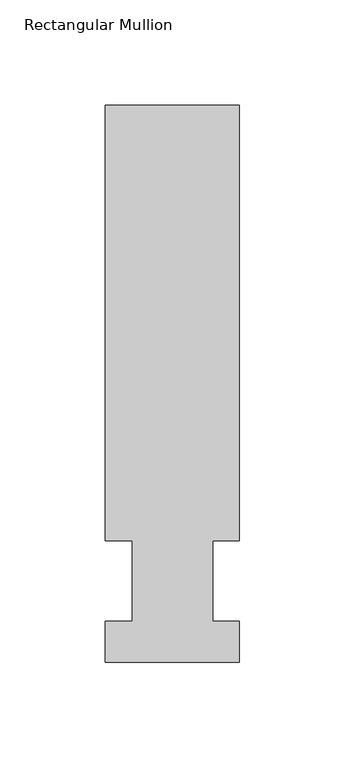
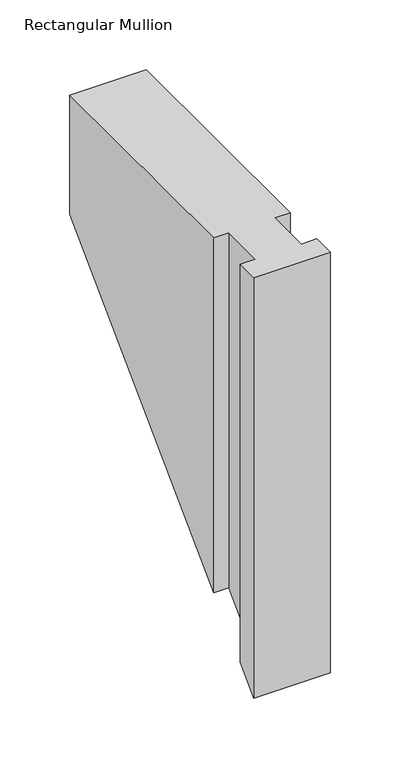
"""IFC4 building model written with IfcOpenShell, lengths in millimetres: member geometry, Rectangular Mullion."""

from ifc_helpers import new_model, si_unit, origin, place, context, project, spatial, faceted_brep, source, transform, mapped, element, save


def rectangular_mullion_809222ba(model_context):
    return source(origin(), model_context, "Body", "Brep", [
        faceted_brep([(-63.5, 57.6460937, 0.0), (-50.8, 57.6460937, 0.0), (-50.8, 19.5460938, 0.0), (-63.5, 19.5460938, 0.0), (-63.5, 0.0134938, 0.0), (0.0, 0.0134938, 0.0), (0.0, 19.5460938, 0.0), (-12.6873, 19.5460938, 0.0), (-12.6873, 57.6460937, 0.0), (0.0, 57.6460938, 0.0), (0.0, 264.0210938, 0.0), (-63.5, 264.0210938, 0.0), (-63.5, 57.6460937, -310.6539062), (-50.8, 57.6460937, -310.6539062), (-50.8, 19.5460938, -348.7539062), (-63.5, 19.5460938, -348.7539062), (-63.5, 0.0134938, -368.2865062), (0.0, 0.0134938, -368.2865062), (0.0, 19.5460938, -348.7539062), (-12.6873, 19.5460938, -348.7539062), (-12.6873, 57.6460938, -310.6539062), (0.0, 57.6460938, -310.6539062), (0.0, 264.0210938, -104.2789062), (-63.5, 264.0210938, -104.2789062)], [[[0, 1, 2, 3, 4, 5, 6, 7, 8, 9, 10, 11]], [[1, 0, 12, 13]], [[2, 1, 13, 14]], [[3, 2, 14, 15]], [[4, 3, 15, 16]], [[5, 4, 16, 17]], [[6, 5, 17, 18]], [[7, 6, 18, 19]], [[8, 7, 19, 20]], [[9, 8, 20, 21]], [[10, 9, 21, 22]], [[11, 10, 22, 23]], [[0, 11, 23, 12]], [[12, 23, 22, 21, 20, 19, 18, 17, 16, 15, 14, 13]]]),
    ])


if __name__ == "__main__":
    model = new_model("IFC4")
    model_context = context("Model", 3, world=origin())
    ifc_project = project(units=[si_unit("LENGTHUNIT", "METRE", prefix="MILLI")], contexts=[model_context])
    site = spatial("IfcSite", under=ifc_project)
    building = spatial("IfcBuilding", under=site)
    placement = place(None, origin())
    rectangular_mullion_shape = rectangular_mullion_809222ba(model_context)
    element("IfcMember", 1, ObjectType="Rectangular Mullion", at=placement, inside=building, context=model_context, shape_type="MappedRepresentation", body=[
        mapped(rectangular_mullion_shape, transform((0.0, 0.0, 0.0), x_axis=(1.0, 0.0, 0.0), y_axis=(0.0, 1.0, 0.0), z_axis=(0.0, 0.0, 1.0))),
    ])
    save(model, "model.ifc")
